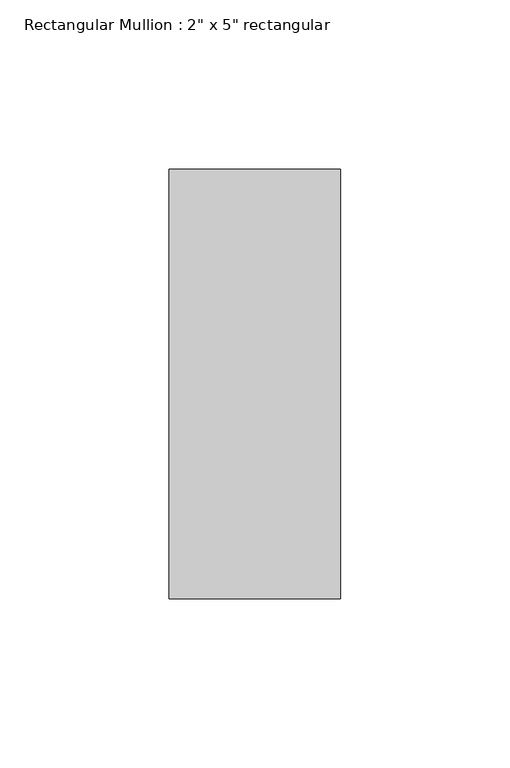
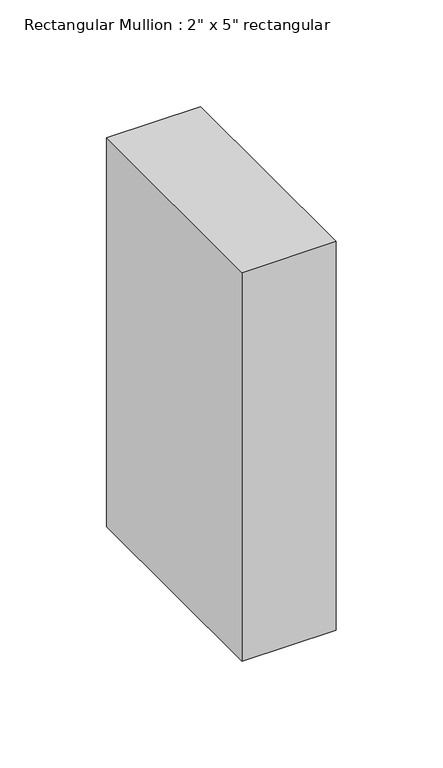
"""IFC4 building model written with IfcOpenShell, lengths in millimetres: member geometry."""

from ifc_helpers import new_model, si_unit, frame, origin, place, context, project, spatial, polyline, outline, extrude, source, transform, mapped, element, save


def member_e3331c64(model_context):
    return source(origin(), model_context, "Body", "SweptSolid", [
        extrude(outline(polyline([(0.0, 63.5), (0.0, -63.5), (-50.8, -63.5), (-50.8, 63.5), (0.0, 63.5)])), frame((0.0, 0.0, -222.25), z_axis=(0.0, 0.0, 1.0), x_axis=(1.0, 0.0, 0.0)), (0.0, 0.0, 1.0), 222.25),
    ])


if __name__ == "__main__":
    model = new_model("IFC4")
    model_context = context("Model", 3, world=origin())
    ifc_project = project(units=[si_unit("LENGTHUNIT", "METRE", prefix="MILLI")], contexts=[model_context])
    site = spatial("IfcSite", under=ifc_project)
    building = spatial("IfcBuilding", under=site)
    placement = place(None, origin())
    member_shape = member_e3331c64(model_context)
    element("IfcMember", 1, ObjectType="Rectangular Mullion : 2\" x 5\" rectangular", at=placement, inside=building, context=model_context, shape_type="MappedRepresentation", body=[
        mapped(member_shape, transform((0.0, 0.0, 0.0), x_axis=(1.0, 0.0, 0.0), y_axis=(0.0, 1.0, 0.0), z_axis=(0.0, 0.0, 1.0))),
    ])
    save(model, "model.ifc")
